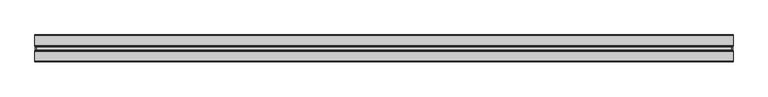
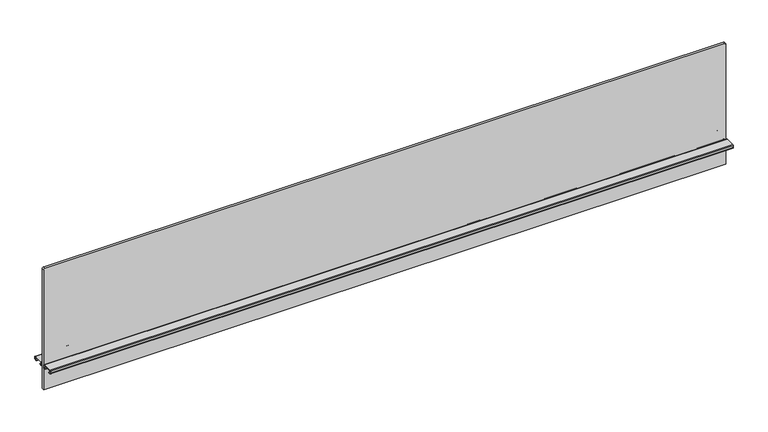
"""IFC4 building model written with IfcOpenShell, lengths in millimetres: furniture geometry."""

from ifc_helpers import new_model, si_unit, point, frame, frame_2d, origin, place, context, project, spatial, polyline, circle_curve, trimmed, segment, composite_curve, outline, extrude, source, transform, mapped, element, save


def furniture_19fbb720(model_context):
    return source(origin(), model_context, "Body", "SweptSolid", [
        extrude(outline(composite_curve([segment(polyline([(1061.059613, 985.52), (1061.059613, -985.52)]), True, "CONTINUOUS"), segment(trimmed(circle_curve(frame_2d((1057.249613, -985.52)), 3.81), [point((1061.059613, -985.52))], [point((1057.249613, -989.33))], False, "CARTESIAN"), True, "CONTINUOUS"), segment(polyline([(1057.249613, -989.33), (689.965613, -989.33), (689.965613, 989.33), (1057.249613, 989.33)]), True, "CONTINUOUS"), segment(trimmed(circle_curve(frame_2d((1057.249613, 985.52)), 3.81), [point((1057.249613, 989.33))], [point((1061.059613, 985.52))], False, "CARTESIAN"), True, "CONTINUOUS")], self_intersect=False)), frame((0.0, -3.683001, 0.0), z_axis=(0.0, 1.0, 0.0), x_axis=(0.0, 0.0, 1.0)), (0.0, 0.0, 1.0), 7.3660021),
        extrude(outline(composite_curve([segment(polyline([(8.1724496, 769.2644064), (36.0679996, 769.2644064)]), True, "CONTINUOUS"), segment(trimmed(circle_curve(frame_2d((36.0679996, 767.2324064)), 2.032), [point((36.0679996, 769.2644064))], [point((38.0999996, 767.2324064))], False, "CARTESIAN"), True, "CONTINUOUS"), segment(polyline([(38.0999996, 767.2324064), (38.0999996, 761.1364161)]), True, "CONTINUOUS"), segment(trimmed(circle_curve(frame_2d((36.0679996, 761.1364161)), 2.032), [point((38.0999996, 761.1364161))], [point((36.0679996, 759.1044161))], False, "CARTESIAN"), True, "CONTINUOUS"), segment(polyline([(36.0679996, 759.1044161), (30.7784504, 759.1044161), (30.7784504, 760.0187498), (36.1695996, 760.0187498)]), True, "CONTINUOUS"), segment(trimmed(circle_curve(frame_2d((36.1695996, 761.0347498)), 1.016), [point((36.1695996, 760.0187498))], [point((37.1855996, 761.0347498))], True, "CARTESIAN"), True, "CONTINUOUS"), segment(polyline([(37.1855996, 761.0347498), (37.1855996, 767.334)]), True, "CONTINUOUS"), segment(trimmed(circle_curve(frame_2d((36.1695996, 767.334)), 1.016), [point((37.1855996, 767.334))], [point((36.1695996, 768.35))], True, "CARTESIAN"), True, "CONTINUOUS"), segment(polyline([(36.1695996, 768.35), (8.0708496, 768.35)]), True, "CONTINUOUS"), segment(trimmed(circle_curve(frame_2d((8.0708496, 767.334)), 1.016), [point((8.0708496, 768.35))], [point((7.0548496, 767.334))], True, "CARTESIAN"), True, "CONTINUOUS"), segment(polyline([(7.0548496, 767.334), (7.0548496, 761.0347498)]), True, "CONTINUOUS"), segment(trimmed(circle_curve(frame_2d((8.0708496, 761.0347498)), 1.016), [point((7.0548496, 761.0347498))], [point((8.0708496, 760.0187498))], True, "CARTESIAN"), True, "CONTINUOUS"), segment(polyline([(8.0708496, 760.0187498), (13.4619988, 760.0187498), (13.4619988, 759.1044161), (8.1724496, 759.1044161)]), True, "CONTINUOUS"), segment(trimmed(circle_curve(frame_2d((8.1724496, 761.1364161)), 2.032), [point((8.1724496, 759.1044161))], [point((6.1404496, 761.1364161))], False, "CARTESIAN"), True, "CONTINUOUS"), segment(polyline([(6.1404496, 761.1364161), (6.1404496, 767.2324064)]), True, "CONTINUOUS"), segment(trimmed(circle_curve(frame_2d((8.1724496, 767.2324064)), 2.032), [point((6.1404496, 767.2324064))], [point((8.1724496, 769.2644064))], False, "CARTESIAN"), True, "CONTINUOUS")], self_intersect=False)), frame((-990.6, 0.0, 0.0), z_axis=(1.0, 0.0, 0.0), x_axis=(0.0, 1.0, 0.0)), (0.0, 0.0, 1.0), 1981.2),
        extrude(outline(composite_curve([segment(trimmed(circle_curve(frame_2d((-8.1724496, 767.2324064)), 2.032), [point((-8.1724496, 769.2644064))], [point((-6.1404496, 767.2324064))], False, "CARTESIAN"), True, "CONTINUOUS"), segment(polyline([(-6.1404496, 767.2324064), (-6.1404496, 761.1364161)]), True, "CONTINUOUS"), segment(trimmed(circle_curve(frame_2d((-8.1724496, 761.1364161)), 2.032), [point((-6.1404496, 761.1364161))], [point((-8.1724496, 759.1044161))], False, "CARTESIAN"), True, "CONTINUOUS"), segment(polyline([(-8.1724496, 759.1044161), (-13.4619988, 759.1044161), (-13.4619988, 760.0187498), (-8.0708496, 760.0187498)]), True, "CONTINUOUS"), segment(trimmed(circle_curve(frame_2d((-8.0708496, 761.0347498)), 1.016), [point((-8.0708496, 760.0187498))], [point((-7.0548496, 761.0347498))], True, "CARTESIAN"), True, "CONTINUOUS"), segment(polyline([(-7.0548496, 761.0347498), (-7.0548496, 767.334)]), True, "CONTINUOUS"), segment(trimmed(circle_curve(frame_2d((-8.0708496, 767.334)), 1.016), [point((-7.0548496, 767.334))], [point((-8.0708496, 768.35))], True, "CARTESIAN"), True, "CONTINUOUS"), segment(polyline([(-8.0708496, 768.35), (-36.1695996, 768.35)]), True, "CONTINUOUS"), segment(trimmed(circle_curve(frame_2d((-36.1695996, 767.334)), 1.016), [point((-36.1695996, 768.35))], [point((-37.1855996, 767.334))], True, "CARTESIAN"), True, "CONTINUOUS"), segment(polyline([(-37.1855996, 767.334), (-37.1855996, 761.0347498)]), True, "CONTINUOUS"), segment(trimmed(circle_curve(frame_2d((-36.1695996, 761.0347498)), 1.016), [point((-37.1855996, 761.0347498))], [point((-36.1695996, 760.0187498))], True, "CARTESIAN"), True, "CONTINUOUS"), segment(polyline([(-36.1695996, 760.0187498), (-30.7784504, 760.0187498), (-30.7784504, 759.1044161), (-36.0679996, 759.1044161)]), True, "CONTINUOUS"), segment(trimmed(circle_curve(frame_2d((-36.0679996, 761.1364161)), 2.032), [point((-36.0679996, 759.1044161))], [point((-38.0999996, 761.1364161))], False, "CARTESIAN"), True, "CONTINUOUS"), segment(polyline([(-38.0999996, 761.1364161), (-38.0999996, 767.2324064)]), True, "CONTINUOUS"), segment(trimmed(circle_curve(frame_2d((-36.0679996, 767.2324064)), 2.032), [point((-38.0999996, 767.2324064))], [point((-36.0679996, 769.2644064))], False, "CARTESIAN"), True, "CONTINUOUS"), segment(polyline([(-36.0679996, 769.2644064), (-8.1724496, 769.2644064)]), True, "CONTINUOUS")], self_intersect=False)), frame((-990.6, 0.0, 0.0), z_axis=(1.0, 0.0, 0.0), x_axis=(0.0, 1.0, 0.0)), (0.0, 0.0, 1.0), 1981.2),
    ])


if __name__ == "__main__":
    model = new_model("IFC4")
    model_context = context("Model", 3, world=origin())
    ifc_project = project(units=[si_unit("LENGTHUNIT", "METRE", prefix="MILLI")], contexts=[model_context])
    site = spatial("IfcSite", under=ifc_project)
    building = spatial("IfcBuilding", under=site)
    placement = place(None, origin())
    furniture_shape = furniture_19fbb720(model_context)
    element("IfcFurniture", 1, at=placement, inside=building, context=model_context, shape_type="MappedRepresentation", body=[
        mapped(furniture_shape, transform((0.0, 0.0, 0.0), x_axis=(1.0, 0.0, 0.0), y_axis=(0.0, 1.0, 0.0), z_axis=(0.0, 0.0, 1.0))),
    ])
    save(model, "model.ifc")
